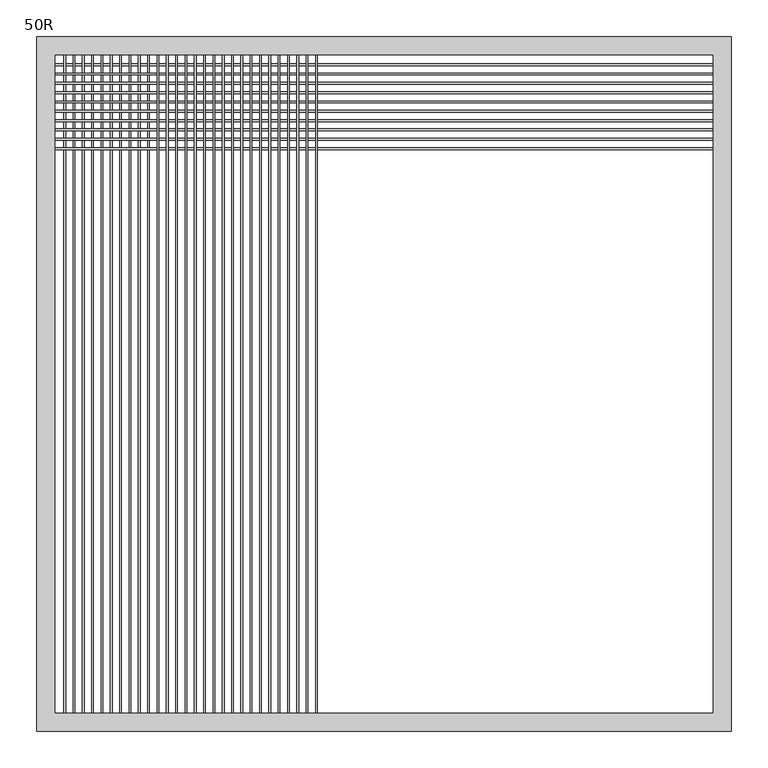
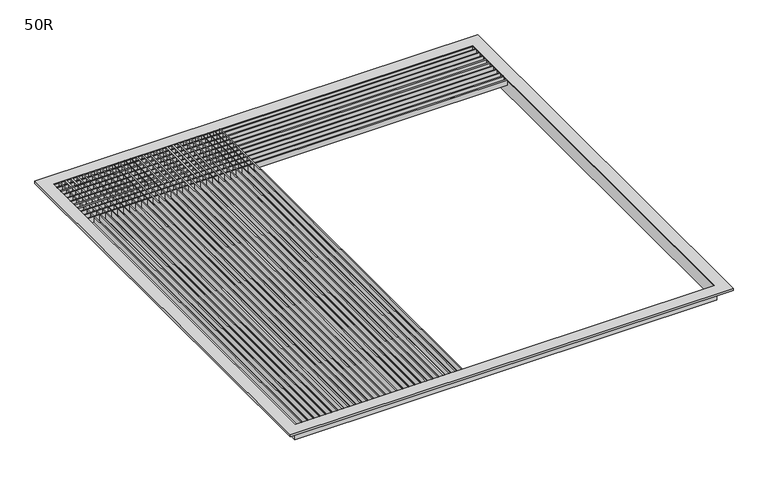
"""IFC4 building model written with IfcOpenShell, lengths in millimetres: air terminal geometry, 50R."""

from ifc_helpers import new_model, si_unit, frame, origin, place, context, project, spatial, polyline, outline, extrude, faceted_brep, source, transform, mapped, element, save


def air_terminal_50r_6bd52a27(model_context):
    return source(origin(), model_context, "Body", "SolidModel", [
        extrude(outline(polyline([(-7.14375, -90.9220792), (4.7625, -90.9220792), (4.7625, -93.2279208), (-7.14375, -93.2279208), (-7.14375, -90.9220792)]), holes=[polyline([(-6.3734613, -91.5173917), (-6.3734613, -92.6326083), (3.96875, -92.6326083), (3.96875, -91.5173917), (-6.3734613, -91.5173917)])]), frame((0.0, -447.675, 0.0), z_axis=(0.0, 1.0, 0.0), x_axis=(0.0, 0.0, 1.0)), (0.0, 0.0, 1.0), 895.35),
        extrude(outline(polyline([(-7.14375, -103.6220792), (4.7625, -103.6220792), (4.7625, -105.9279208), (-7.14375, -105.9279208), (-7.14375, -103.6220792)]), holes=[polyline([(-6.3734613, -104.2173917), (-6.3734613, -105.3326083), (3.96875, -105.3326083), (3.96875, -104.2173917), (-6.3734613, -104.2173917)])]), frame((0.0, -447.675, 0.0), z_axis=(0.0, 1.0, 0.0), x_axis=(0.0, 0.0, 1.0)), (0.0, 0.0, 1.0), 895.35),
        extrude(outline(polyline([(-7.14375, -116.3220792), (4.7625, -116.3220792), (4.7625, -118.6279208), (-7.14375, -118.6279208), (-7.14375, -116.3220792)]), holes=[polyline([(-6.3734613, -116.9173917), (-6.3734613, -118.0326083), (3.96875, -118.0326083), (3.96875, -116.9173917), (-6.3734613, -116.9173917)])]), frame((0.0, -447.675, 0.0), z_axis=(0.0, 1.0, 0.0), x_axis=(0.0, 0.0, 1.0)), (0.0, 0.0, 1.0), 895.35),
        extrude(outline(polyline([(-7.14375, -129.0220792), (4.7625, -129.0220792), (4.7625, -131.3279208), (-7.14375, -131.3279208), (-7.14375, -129.0220792)]), holes=[polyline([(-6.3734613, -129.6173917), (-6.3734613, -130.7326083), (3.96875, -130.7326083), (3.96875, -129.6173917), (-6.3734613, -129.6173917)])]), frame((0.0, -447.675, 0.0), z_axis=(0.0, 1.0, 0.0), x_axis=(0.0, 0.0, 1.0)), (0.0, 0.0, 1.0), 895.35),
        extrude(outline(polyline([(-7.14375, -141.7220792), (4.7625, -141.7220792), (4.7625, -144.0279208), (-7.14375, -144.0279208), (-7.14375, -141.7220792)]), holes=[polyline([(-6.3734613, -142.3173917), (-6.3734613, -143.4326083), (3.96875, -143.4326083), (3.96875, -142.3173917), (-6.3734613, -142.3173917)])]), frame((0.0, -447.675, 0.0), z_axis=(0.0, 1.0, 0.0), x_axis=(0.0, 0.0, 1.0)), (0.0, 0.0, 1.0), 895.35),
        extrude(outline(polyline([(-7.14375, -154.4220792), (4.7625, -154.4220792), (4.7625, -156.7279208), (-7.14375, -156.7279208), (-7.14375, -154.4220792)]), holes=[polyline([(-6.3734613, -155.0173917), (-6.3734613, -156.1326083), (3.96875, -156.1326083), (3.96875, -155.0173917), (-6.3734613, -155.0173917)])]), frame((0.0, -447.675, 0.0), z_axis=(0.0, 1.0, 0.0), x_axis=(0.0, 0.0, 1.0)), (0.0, 0.0, 1.0), 895.35),
        extrude(outline(polyline([(-7.14375, -167.1220792), (4.7625, -167.1220792), (4.7625, -169.4279208), (-7.14375, -169.4279208), (-7.14375, -167.1220792)]), holes=[polyline([(-6.3734613, -167.7173917), (-6.3734613, -168.8326083), (3.96875, -168.8326083), (3.96875, -167.7173917), (-6.3734613, -167.7173917)])]), frame((0.0, -447.675, 0.0), z_axis=(0.0, 1.0, 0.0), x_axis=(0.0, 0.0, 1.0)), (0.0, 0.0, 1.0), 895.35),
        extrude(outline(polyline([(-7.14375, -179.8220792), (4.7625, -179.8220792), (4.7625, -182.1279208), (-7.14375, -182.1279208), (-7.14375, -179.8220792)]), holes=[polyline([(-6.3734613, -180.4173917), (-6.3734613, -181.5326083), (3.96875, -181.5326083), (3.96875, -180.4173917), (-6.3734613, -180.4173917)])]), frame((0.0, -447.675, 0.0), z_axis=(0.0, 1.0, 0.0), x_axis=(0.0, 0.0, 1.0)), (0.0, 0.0, 1.0), 895.35),
        extrude(outline(polyline([(-7.14375, -192.5220792), (4.7625, -192.5220792), (4.7625, -194.8279208), (-7.14375, -194.8279208), (-7.14375, -192.5220792)]), holes=[polyline([(-6.3734613, -193.1173917), (-6.3734613, -194.2326083), (3.96875, -194.2326083), (3.96875, -193.1173917), (-6.3734613, -193.1173917)])]), frame((0.0, -447.675, 0.0), z_axis=(0.0, 1.0, 0.0), x_axis=(0.0, 0.0, 1.0)), (0.0, 0.0, 1.0), 895.35),
        extrude(outline(polyline([(-7.14375, -205.2220792), (4.7625, -205.2220792), (4.7625, -207.5279208), (-7.14375, -207.5279208), (-7.14375, -205.2220792)]), holes=[polyline([(-6.3734613, -205.8173917), (-6.3734613, -206.9326083), (3.96875, -206.9326083), (3.96875, -205.8173917), (-6.3734613, -205.8173917)])]), frame((0.0, -447.675, 0.0), z_axis=(0.0, 1.0, 0.0), x_axis=(0.0, 0.0, 1.0)), (0.0, 0.0, 1.0), 895.35),
        extrude(outline(polyline([(-7.14375, -217.9220792), (4.7625, -217.9220792), (4.7625, -220.2279208), (-7.14375, -220.2279208), (-7.14375, -217.9220792)]), holes=[polyline([(-6.3734613, -218.5173917), (-6.3734613, -219.6326083), (3.96875, -219.6326083), (3.96875, -218.5173917), (-6.3734613, -218.5173917)])]), frame((0.0, -447.675, 0.0), z_axis=(0.0, 1.0, 0.0), x_axis=(0.0, 0.0, 1.0)), (0.0, 0.0, 1.0), 895.35),
        extrude(outline(polyline([(-7.14375, -230.6220792), (4.7625, -230.6220792), (4.7625, -232.9279208), (-7.14375, -232.9279208), (-7.14375, -230.6220792)]), holes=[polyline([(-6.3734613, -231.2173917), (-6.3734613, -232.3326083), (3.96875, -232.3326083), (3.96875, -231.2173917), (-6.3734613, -231.2173917)])]), frame((0.0, -447.675, 0.0), z_axis=(0.0, 1.0, 0.0), x_axis=(0.0, 0.0, 1.0)), (0.0, 0.0, 1.0), 895.35),
        extrude(outline(polyline([(-7.14375, -243.3220792), (4.7625, -243.3220792), (4.7625, -245.6279208), (-7.14375, -245.6279208), (-7.14375, -243.3220792)]), holes=[polyline([(-6.3734613, -243.9173917), (-6.3734613, -245.0326083), (3.96875, -245.0326083), (3.96875, -243.9173917), (-6.3734613, -243.9173917)])]), frame((0.0, -447.675, 0.0), z_axis=(0.0, 1.0, 0.0), x_axis=(0.0, 0.0, 1.0)), (0.0, 0.0, 1.0), 895.35),
        extrude(outline(polyline([(-7.14375, -256.0220792), (4.7625, -256.0220792), (4.7625, -258.3279208), (-7.14375, -258.3279208), (-7.14375, -256.0220792)]), holes=[polyline([(-6.3734613, -256.6173917), (-6.3734613, -257.7326083), (3.96875, -257.7326083), (3.96875, -256.6173917), (-6.3734613, -256.6173917)])]), frame((0.0, -447.675, 0.0), z_axis=(0.0, 1.0, 0.0), x_axis=(0.0, 0.0, 1.0)), (0.0, 0.0, 1.0), 895.35),
        extrude(outline(polyline([(-7.14375, -268.7220792), (4.7625, -268.7220792), (4.7625, -271.0279208), (-7.14375, -271.0279208), (-7.14375, -268.7220792)]), holes=[polyline([(-6.3734613, -269.3173917), (-6.3734613, -270.4326083), (3.96875, -270.4326083), (3.96875, -269.3173917), (-6.3734613, -269.3173917)])]), frame((0.0, -447.675, 0.0), z_axis=(0.0, 1.0, 0.0), x_axis=(0.0, 0.0, 1.0)), (0.0, 0.0, 1.0), 895.35),
        extrude(outline(polyline([(-7.14375, -281.4220792), (4.7625, -281.4220792), (4.7625, -283.7279208), (-7.14375, -283.7279208), (-7.14375, -281.4220792)]), holes=[polyline([(-6.3734613, -282.0173917), (-6.3734613, -283.1326083), (3.96875, -283.1326083), (3.96875, -282.0173917), (-6.3734613, -282.0173917)])]), frame((0.0, -447.675, 0.0), z_axis=(0.0, 1.0, 0.0), x_axis=(0.0, 0.0, 1.0)), (0.0, 0.0, 1.0), 895.35),
        extrude(outline(polyline([(-7.14375, -294.1220792), (4.7625, -294.1220792), (4.7625, -296.4279208), (-7.14375, -296.4279208), (-7.14375, -294.1220792)]), holes=[polyline([(-6.3734613, -294.7173917), (-6.3734613, -295.8326083), (3.96875, -295.8326083), (3.96875, -294.7173917), (-6.3734613, -294.7173917)])]), frame((0.0, -447.675, 0.0), z_axis=(0.0, 1.0, 0.0), x_axis=(0.0, 0.0, 1.0)), (0.0, 0.0, 1.0), 895.35),
        extrude(outline(polyline([(-7.14375, -306.8220792), (4.7625, -306.8220792), (4.7625, -309.1279208), (-7.14375, -309.1279208), (-7.14375, -306.8220792)]), holes=[polyline([(-6.3734613, -307.4173917), (-6.3734613, -308.5326083), (3.96875, -308.5326083), (3.96875, -307.4173917), (-6.3734613, -307.4173917)])]), frame((0.0, -447.675, 0.0), z_axis=(0.0, 1.0, 0.0), x_axis=(0.0, 0.0, 1.0)), (0.0, 0.0, 1.0), 895.35),
        extrude(outline(polyline([(319.3786089, -7.14375), (319.3786089, 4.7625), (321.9713911, 4.7625), (321.9713911, -7.14375), (319.3786089, -7.14375)]), holes=[polyline([(320.1723589, -6.35), (321.1776411, -6.35), (321.1776411, 3.96875), (320.1723589, 3.96875), (320.1723589, -6.35)])]), frame((-447.675, 0.0, 0.0), z_axis=(1.0, 0.0, 0.0), x_axis=(0.0, 1.0, 0.0)), (0.0, 0.0, 1.0), 895.35),
        extrude(outline(polyline([(332.0786089, -7.14375), (332.0786089, 4.7625), (334.6713911, 4.7625), (334.6713911, -7.14375), (332.0786089, -7.14375)]), holes=[polyline([(332.8723589, -6.35), (333.8776411, -6.35), (333.8776411, 3.96875), (332.8723589, 3.96875), (332.8723589, -6.35)])]), frame((-447.675, 0.0, 0.0), z_axis=(1.0, 0.0, 0.0), x_axis=(0.0, 1.0, 0.0)), (0.0, 0.0, 1.0), 895.35),
        extrude(outline(polyline([(344.7786089, -7.14375), (344.7786089, 4.7625), (347.3713911, 4.7625), (347.3713911, -7.14375), (344.7786089, -7.14375)]), holes=[polyline([(345.5723589, -6.35), (346.5776411, -6.35), (346.5776411, 3.96875), (345.5723589, 3.96875), (345.5723589, -6.35)])]), frame((-447.675, 0.0, 0.0), z_axis=(1.0, 0.0, 0.0), x_axis=(0.0, 1.0, 0.0)), (0.0, 0.0, 1.0), 895.35),
        extrude(outline(polyline([(357.4786089, -7.14375), (357.4786089, 4.7625), (360.0713911, 4.7625), (360.0713911, -7.14375), (357.4786089, -7.14375)]), holes=[polyline([(358.2723589, -6.35), (359.2776411, -6.35), (359.2776411, 3.96875), (358.2723589, 3.96875), (358.2723589, -6.35)])]), frame((-447.675, 0.0, 0.0), z_axis=(1.0, 0.0, 0.0), x_axis=(0.0, 1.0, 0.0)), (0.0, 0.0, 1.0), 895.35),
        extrude(outline(polyline([(370.1786089, -7.14375), (370.1786089, 4.7625), (372.7713911, 4.7625), (372.7713911, -7.14375), (370.1786089, -7.14375)]), holes=[polyline([(370.9723589, -6.35), (371.9776411, -6.35), (371.9776411, 3.96875), (370.9723589, 3.96875), (370.9723589, -6.35)])]), frame((-447.675, 0.0, 0.0), z_axis=(1.0, 0.0, 0.0), x_axis=(0.0, 1.0, 0.0)), (0.0, 0.0, 1.0), 895.35),
        extrude(outline(polyline([(382.8786089, -7.14375), (382.8786089, 4.7625), (385.4713911, 4.7625), (385.4713911, -7.14375), (382.8786089, -7.14375)]), holes=[polyline([(383.6723589, -6.35), (384.6776411, -6.35), (384.6776411, 3.96875), (383.6723589, 3.96875), (383.6723589, -6.35)])]), frame((-447.675, 0.0, 0.0), z_axis=(1.0, 0.0, 0.0), x_axis=(0.0, 1.0, 0.0)), (0.0, 0.0, 1.0), 895.35),
        extrude(outline(polyline([(395.5786089, -7.14375), (395.5786089, 4.7625), (398.1713911, 4.7625), (398.1713911, -7.14375), (395.5786089, -7.14375)]), holes=[polyline([(396.3723589, -6.35), (397.3776411, -6.35), (397.3776411, 3.96875), (396.3723589, 3.96875), (396.3723589, -6.35)])]), frame((-447.675, 0.0, 0.0), z_axis=(1.0, 0.0, 0.0), x_axis=(0.0, 1.0, 0.0)), (0.0, 0.0, 1.0), 895.35),
        extrude(outline(polyline([(408.2786089, -7.14375), (408.2786089, 4.7625), (410.8713911, 4.7625), (410.8713911, -7.14375), (408.2786089, -7.14375)]), holes=[polyline([(409.0723589, -6.35), (410.0776411, -6.35), (410.0776411, 3.96875), (409.0723589, 3.96875), (409.0723589, -6.35)])]), frame((-447.675, 0.0, 0.0), z_axis=(1.0, 0.0, 0.0), x_axis=(0.0, 1.0, 0.0)), (0.0, 0.0, 1.0), 895.35),
        extrude(outline(polyline([(420.9786089, -7.14375), (420.9786089, 4.7625), (423.5713911, 4.7625), (423.5713911, -7.14375), (420.9786089, -7.14375)]), holes=[polyline([(421.7723589, -6.35), (422.7776411, -6.35), (422.7776411, 3.96875), (421.7723589, 3.96875), (421.7723589, -6.35)])]), frame((-447.675, 0.0, 0.0), z_axis=(1.0, 0.0, 0.0), x_axis=(0.0, 1.0, 0.0)), (0.0, 0.0, 1.0), 895.35),
        extrude(outline(polyline([(-7.14375, -319.5220792), (4.7625, -319.5220792), (4.7625, -321.8279208), (-7.14375, -321.8279208), (-7.14375, -319.5220792)]), holes=[polyline([(-6.3734613, -320.1173917), (-6.3734613, -321.2326083), (3.96875, -321.2326083), (3.96875, -320.1173917), (-6.3734613, -320.1173917)])]), frame((0.0, -447.675, 0.0), z_axis=(0.0, 1.0, 0.0), x_axis=(0.0, 0.0, 1.0)), (0.0, 0.0, 1.0), 895.35),
        extrude(outline(polyline([(-7.14375, -332.2220792), (4.7625, -332.2220792), (4.7625, -334.5279208), (-7.14375, -334.5279208), (-7.14375, -332.2220792)]), holes=[polyline([(-6.3734613, -332.8173917), (-6.3734613, -333.9326083), (3.96875, -333.9326083), (3.96875, -332.8173917), (-6.3734613, -332.8173917)])]), frame((0.0, -447.675, 0.0), z_axis=(0.0, 1.0, 0.0), x_axis=(0.0, 0.0, 1.0)), (0.0, 0.0, 1.0), 895.35),
        extrude(outline(polyline([(-7.14375, -344.9220792), (4.7625, -344.9220792), (4.7625, -347.2279208), (-7.14375, -347.2279208), (-7.14375, -344.9220792)]), holes=[polyline([(-6.3734613, -345.5173917), (-6.3734613, -346.6326083), (3.96875, -346.6326083), (3.96875, -345.5173917), (-6.3734613, -345.5173917)])]), frame((0.0, -447.675, 0.0), z_axis=(0.0, 1.0, 0.0), x_axis=(0.0, 0.0, 1.0)), (0.0, 0.0, 1.0), 895.35),
        extrude(outline(polyline([(-7.14375, -357.6220792), (4.7625, -357.6220792), (4.7625, -359.9279208), (-7.14375, -359.9279208), (-7.14375, -357.6220792)]), holes=[polyline([(-6.3734613, -358.2173917), (-6.3734613, -359.3326083), (3.96875, -359.3326083), (3.96875, -358.2173917), (-6.3734613, -358.2173917)])]), frame((0.0, -447.675, 0.0), z_axis=(0.0, 1.0, 0.0), x_axis=(0.0, 0.0, 1.0)), (0.0, 0.0, 1.0), 895.35),
        extrude(outline(polyline([(-7.14375, -370.3220792), (4.7625, -370.3220792), (4.7625, -372.6279208), (-7.14375, -372.6279208), (-7.14375, -370.3220792)]), holes=[polyline([(-6.3734613, -370.9173917), (-6.3734613, -372.0326083), (3.96875, -372.0326083), (3.96875, -370.9173917), (-6.3734613, -370.9173917)])]), frame((0.0, -447.675, 0.0), z_axis=(0.0, 1.0, 0.0), x_axis=(0.0, 0.0, 1.0)), (0.0, 0.0, 1.0), 895.35),
        extrude(outline(polyline([(-7.14375, -383.0220792), (4.7625, -383.0220792), (4.7625, -385.3279208), (-7.14375, -385.3279208), (-7.14375, -383.0220792)]), holes=[polyline([(-6.3734613, -383.6173917), (-6.3734613, -384.7326083), (3.96875, -384.7326083), (3.96875, -383.6173917), (-6.3734613, -383.6173917)])]), frame((0.0, -447.675, 0.0), z_axis=(0.0, 1.0, 0.0), x_axis=(0.0, 0.0, 1.0)), (0.0, 0.0, 1.0), 895.35),
        extrude(outline(polyline([(-7.14375, -395.7220792), (4.7625, -395.7220792), (4.7625, -398.0279208), (-7.14375, -398.0279208), (-7.14375, -395.7220792)]), holes=[polyline([(-6.3734613, -396.3173917), (-6.3734613, -397.4326083), (3.96875, -397.4326083), (3.96875, -396.3173917), (-6.3734613, -396.3173917)])]), frame((0.0, -447.675, 0.0), z_axis=(0.0, 1.0, 0.0), x_axis=(0.0, 0.0, 1.0)), (0.0, 0.0, 1.0), 895.35),
        extrude(outline(polyline([(-7.14375, -408.4220792), (4.7625, -408.4220792), (4.7625, -410.7279208), (-7.14375, -410.7279208), (-7.14375, -408.4220792)]), holes=[polyline([(-6.3734613, -409.0173917), (-6.3734613, -410.1326083), (3.96875, -410.1326083), (3.96875, -409.0173917), (-6.3734613, -409.0173917)])]), frame((0.0, -447.675, 0.0), z_axis=(0.0, 1.0, 0.0), x_axis=(0.0, 0.0, 1.0)), (0.0, 0.0, 1.0), 895.35),
        extrude(outline(polyline([(-7.14375, -421.1220792), (4.7625, -421.1220792), (4.7625, -423.4279208), (-7.14375, -423.4279208), (-7.14375, -421.1220792)]), holes=[polyline([(-6.3734613, -421.7173917), (-6.3734613, -422.8326083), (3.96875, -422.8326083), (3.96875, -421.7173917), (-6.3734613, -421.7173917)])]), frame((0.0, -447.675, 0.0), z_axis=(0.0, 1.0, 0.0), x_axis=(0.0, 0.0, 1.0)), (0.0, 0.0, 1.0), 895.35),
        extrude(outline(polyline([(-7.14375, -433.8220792), (4.7625, -433.8220792), (4.7625, -436.1279208), (-7.14375, -436.1279208), (-7.14375, -433.8220792)]), holes=[polyline([(-6.3734613, -434.4173917), (-6.3734613, -435.5326083), (3.96875, -435.5326083), (3.96875, -434.4173917), (-6.3734613, -434.4173917)])]), frame((0.0, -447.675, 0.0), z_axis=(0.0, 1.0, 0.0), x_axis=(0.0, 0.0, 1.0)), (0.0, 0.0, 1.0), 895.35),
        extrude(outline(polyline([(433.6786089, -7.14375), (433.6786089, 4.7625), (436.2713911, 4.7625), (436.2713911, -7.14375), (433.6786089, -7.14375)]), holes=[polyline([(434.4723589, -6.35), (435.4776411, -6.35), (435.4776411, 3.96875), (434.4723589, 3.96875), (434.4723589, -6.35)])]), frame((-447.675, 0.0, 0.0), z_axis=(1.0, 0.0, 0.0), x_axis=(0.0, 1.0, 0.0)), (0.0, 0.0, 1.0), 895.35),
        extrude(outline(polyline([(-450.85, 450.85), (450.85, 450.85), (450.85, -450.85), (-450.85, -450.85), (-450.85, 450.85)]), holes=[polyline([(447.675, 447.675), (-447.675, 447.675), (-447.675, -447.675), (447.675, -447.675), (447.675, 447.675)])]), frame((0.0, 0.0, -26.9875), z_axis=(0.0, 0.0, 1.0), x_axis=(1.0, 0.0, 0.0)), (0.0, 0.0, 1.0), 29.36875),
        faceted_brep([(-469.9, -469.9, 2.38125), (-469.9, 469.9, 2.38125), (469.9, 469.9, 2.38125), (469.9, -469.9, 2.38125), (447.675, 447.675, 2.38125), (-447.675, 447.675, 2.38125), (-447.675, -447.675, 2.38125), (447.675, -447.675, 2.38125), (473.075, 473.075, 4.7625), (-473.075, 473.075, 4.7625), (-473.075, -473.075, 4.7625), (473.075, -473.075, 4.7625), (447.675, 447.675, 4.7625), (447.675, -447.675, 4.7625), (-447.675, -447.675, 4.7625), (-447.675, 447.675, 4.7625), (473.075, -473.075, 0.0), (473.075, 473.075, 0.0), (-473.075, -473.075, 0.0), (-473.075, 473.075, 0.0), (-469.9, 469.9, 0.0), (-469.9, -469.9, 0.0), (469.9, -469.9, 0.0), (469.9, 469.9, 0.0)], [[[0, 1, 2, 3], [4, 5, 6, 7]], [[8, 9, 10, 11], [12, 13, 14, 15]], [[8, 11, 16, 17]], [[16, 11, 10, 18]], [[18, 10, 9, 19]], [[19, 9, 8, 17]], [[5, 4, 12, 15]], [[6, 5, 15, 14]], [[7, 6, 14, 13]], [[4, 7, 13, 12]], [[17, 16, 18, 19], [20, 21, 22, 23]], [[21, 20, 1, 0]], [[22, 21, 0, 3]], [[23, 22, 3, 2]], [[20, 23, 2, 1]]]),
    ])


if __name__ == "__main__":
    model = new_model("IFC4")
    model_context = context("Model", 3, world=origin())
    ifc_project = project(units=[si_unit("LENGTHUNIT", "METRE", prefix="MILLI")], contexts=[model_context])
    site = spatial("IfcSite", under=ifc_project)
    building = spatial("IfcBuilding", under=site)
    placement = place(None, origin())
    air_terminal_50r_shape = air_terminal_50r_6bd52a27(model_context)
    element("IfcAirTerminal", 1, ObjectType="50R", at=placement, inside=building, context=model_context, shape_type="MappedRepresentation", body=[
        mapped(air_terminal_50r_shape, transform((0.0, 0.0, 0.0), x_axis=(1.0, 0.0, 0.0), y_axis=(0.0, 1.0, 0.0), z_axis=(0.0, 0.0, 1.0))),
    ])
    save(model, "model.ifc")
